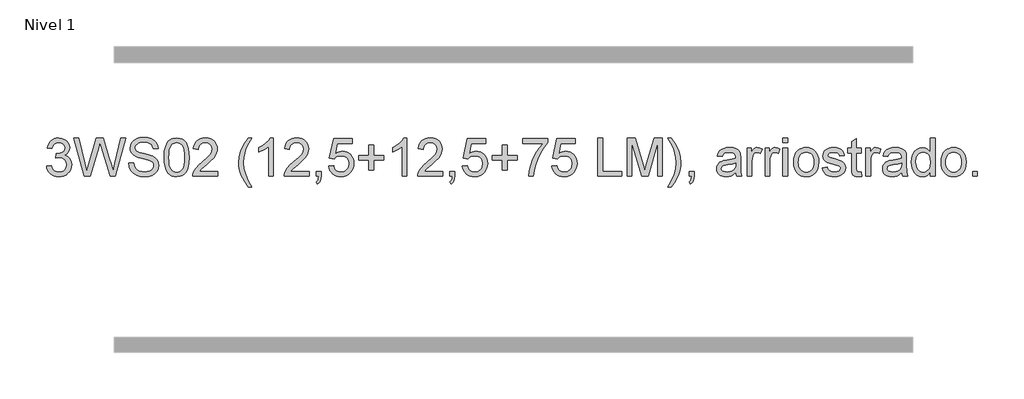
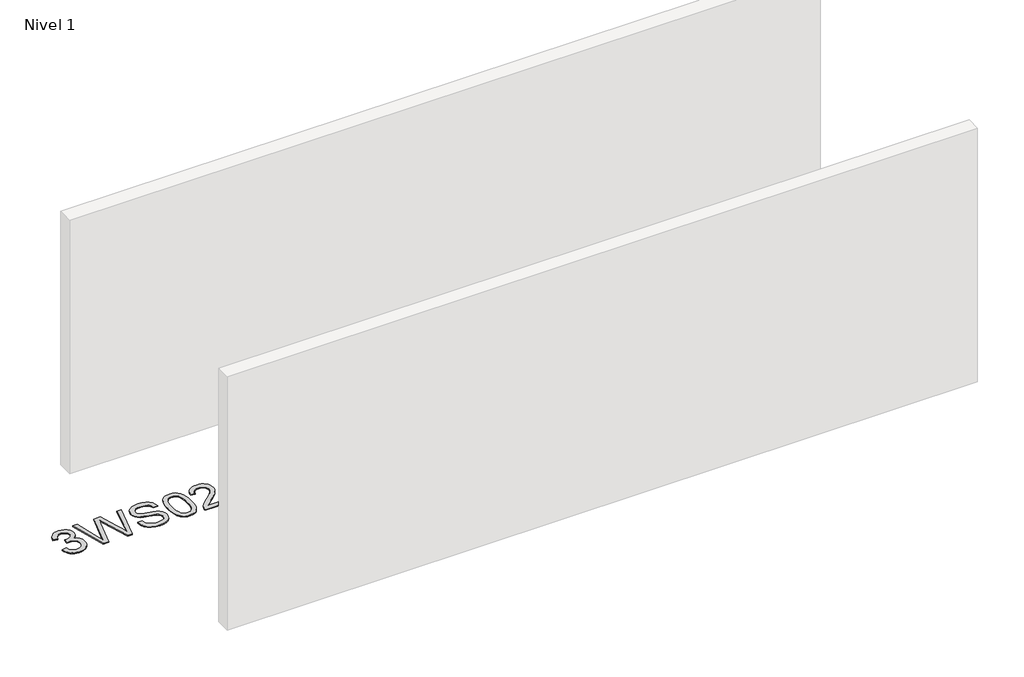
# One storey, part 9 of 13: 1 proxy.
"""IFC4 building model written with IfcOpenShell, lengths in millimetres."""

from ifc_helpers import new_model, si_unit, origin, origin_with_axes, place, context, project, spatial, polyline, outline, extrude, element, save

model = new_model("IFC4")

# Units and contexts
model_context = context("Model", 3, world=origin())
ifc_project = project(units=[si_unit("LENGTHUNIT", "METRE", prefix="MILLI")], contexts=[model_context])

# Site, building, storey
site = spatial("IfcSite", under=ifc_project)
building = spatial("IfcBuilding", under=site)
storey = spatial("IfcBuildingStorey", under=building, Name="Nivel 1", Elevation=0.0)

# Proxy
placement = place(None, origin())
element("IfcBuildingElementProxy", 1, Name="Texto de modelo 1", ObjectType="Texto de modelo 1", at=placement, inside=storey, context=model_context, shape_type="SweptSolid", body=[
    extrude(outline(polyline([(-14190.3594166, -4818.8446235), (-14140.1312615, -4812.5661041), (-14128.8863352, -4844.1303793), (-14112.4174845, -4865.4430095), (-14089.9153692, -4877.5831154), (-14060.5706487, -4881.6298173), (-14026.1368939, -4876.0625364), (-14011.8630725, -4869.1034354), (-13999.5512884, -4859.3606939), (-13982.5551402, -4834.4428201), (-13976.8897575, -4804.2274455), (-13982.5060893, -4775.5449126), (-13999.3550847, -4752.2825078), (-14024.8615697, -4736.8682522), (-14056.4503703, -4731.730167), (-14091.66894, -4737.2238715), (-14086.0771337, -4686.9957164), (-14078.0327807, -4687.5843276), (-14047.9400335, -4683.979084), (-14021.0355969, -4673.1633534), (-14009.9623489, -4664.9841103), (-14002.052886, -4654.8673555), (-13997.3072082, -4642.8130888), (-13995.7253157, -4628.8213102), (-14000.3115779, -4607.1285352), (-14014.0703645, -4589.5315131), (-14035.0641637, -4577.8696539), (-14061.3554636, -4573.9823675), (-14087.6958145, -4577.9064421), (-14109.2291739, -4589.6786659), (-14124.9499978, -4609.299039), (-14133.8527421, -4636.7675613), (-14184.0808972, -4630.4890419), (-14178.1273402, -4606.5092672), (-14169.292041, -4585.3867093), (-14157.5749994, -4567.1213683), (-14142.9762156, -4551.713244), (-14125.955542, -4539.4811677), (-14106.972831, -4530.7439703), (-14086.0280827, -4525.5016519), (-14063.1212972, -4523.7542124), (-14031.5447593, -4527.2000404), (-14002.5433953, -4537.5375245), (-13978.0915054, -4553.8469596), (-13960.1633895, -4575.2086408), (-13949.1637178, -4599.8199463), (-13945.4971606, -4625.8782543), (-13948.9797768, -4650.1584659), (-13959.4276255, -4672.1823347), (-13976.6935538, -4690.9443165), (-14000.6304089, -4705.4388671), (-13969.1887611, -4718.1430586), (-13945.8895681, -4739.77452), (-13931.4685938, -4769.1560286), (-13926.6616024, -4805.1103623), (-13929.0650981, -4830.5923218), (-13936.2755852, -4854.0631931), (-13948.2930638, -4875.5229762), (-13965.1175337, -4894.971671), (-13985.6146922, -4911.1094278), (-14008.6502364, -4922.636397), (-14034.2241665, -4929.5525785), (-14062.3364823, -4931.8579724), (-14087.7448654, -4929.8898037), (-14110.8969056, -4923.9852977), (-14131.7926029, -4914.1444543), (-14150.4319574, -4900.3672736), (-14166.0608108, -4883.4630959), (-14177.9250051, -4864.2412617), (-14186.0245404, -4842.7017708), (-14190.3594166, -4818.8446235)])), origin_with_axes(), (0.0, 0.0, 1.0), 10.0),
    extrude(outline(polyline([(-13791.9677413, -4925.579453), (-13901.5475249, -4523.7542124), (-13849.74974, -4523.7542124), (-13786.1797312, -4787.844434), (-13766.5593581, -4869.3670841), (-13745.5655589, -4797.2622131), (-13665.9068443, -4523.7542124), (-13591.2513247, -4523.7542124), (-13533.3712241, -4722.0180823), (-13508.5759777, -4795.5944814), (-13490.3045052, -4869.3670841), (-13471.2727433, -4790.1988788), (-13407.1141234, -4523.7542124), (-13355.3163385, -4523.7542124), (-13464.994224, -4925.579453), (-13518.6559443, -4925.579453), (-13614.9919761, -4615.5775584), (-13628.4319317, -4572.3146358), (-13643.5396189, -4624.4067263), (-13731.3407885, -4925.579453), (-13791.9677413, -4925.579453)])), origin_with_axes(), (0.0, 0.0, 1.0), 10.0),
    extrude(outline(polyline([(-13323.9237415, -4787.4520265), (-13273.6955865, -4787.4520265), (-13267.9321019, -4815.325219), (-13257.5087787, -4837.7292325), (-13241.2483945, -4855.5101956), (-13217.9737269, -4869.5142369), (-13189.524186, -4878.6009222), (-13157.7391816, -4881.6298173), (-13129.7556245, -4879.3366862), (-13105.2546836, -4872.4572929), (-13085.4013186, -4861.5679858), (-13071.3604891, -4847.2451135), (-13063.0095678, -4830.8007883), (-13060.2259274, -4813.5471227), (-13062.310592, -4796.7349155), (-13068.564586, -4782.2035767), (-13081.2687775, -4769.8059535), (-13102.7040351, -4759.394893), (-13175.8389757, -4740.2159784), (-13223.8475761, -4727.5240495), (-13254.5657227, -4715.4452573), (-13279.5694357, -4698.547211), (-13297.2890851, -4678.0684466), (-13307.8472983, -4654.4504225), (-13311.3667028, -4628.1345972), (-13307.0134325, -4598.7163003), (-13293.9536217, -4571.2845662), (-13272.5306268, -4548.0344241), (-13243.0878045, -4531.1609032), (-13207.7466075, -4520.8969956), (-13168.6284886, -4517.475693), (-13126.2484828, -4521.0564111), (-13089.1659777, -4531.7985654), (-13058.7053485, -4549.4814266), (-13036.1909704, -4573.8842656), (-13021.9416744, -4603.4865035), (-13016.2762917, -4636.7675613), (-13066.5044468, -4636.7675613), (-13075.7260221, -4606.7974414), (-13084.0892061, -4594.9393785), (-13094.9539877, -4585.1659801), (-13124.997684, -4572.0693811), (-13166.6664513, -4567.7038481), (-13209.3162373, -4572.0203302), (-13225.6195411, -4577.4159328), (-13238.5751187, -4584.9697764), (-13255.4976904, -4604.0260637), (-13261.1385477, -4626.6630692), (-13257.1408967, -4645.9646112), (-13245.1479436, -4661.4892314), (-13216.7965045, -4675.3706453), (-13163.1347842, -4689.5463649), (-13107.7562812, -4703.0108459), (-13074.2544941, -4714.7585443), (-13045.6210122, -4732.9809658), (-13025.6450198, -4755.4708184), (-13013.9095842, -4781.9828475), (-13009.9977723, -4812.2717985), (-13014.4981954, -4843.2351997), (-13027.9994646, -4872.359191), (-13049.949757, -4897.4242176), (-13079.7972495, -4916.2107248), (-13115.6902695, -4927.9461605), (-13155.7771443, -4931.8579724), (-13204.9874925, -4927.6395922), (-13245.4913002, -4914.9844515), (-13277.7545511, -4893.8434995), (-13302.2432293, -4864.1676853), (-13317.9640532, -4828.0171479), (-13323.9237415, -4787.4520265)])), origin_with_axes(), (0.0, 0.0, 1.0), 10.0),
    extrude(outline(polyline([(-12953.4910979, -4727.9041943), (-12949.8000152, -4663.5861588), (-12938.7267671, -4612.2911459), (-12920.3817183, -4573.2343407), (-12908.5236553, -4558.0009605), (-12894.8752333, -4545.6309284), (-12879.390467, -4536.0598651), (-12862.0233711, -4529.2233914), (-12821.6421908, -4523.7542124), (-12790.6910523, -4526.991574), (-12762.9772753, -4536.7036586), (-12739.8007096, -4552.5103217), (-12722.4612049, -4574.0314184), (-12709.3646059, -4601.0830078), (-12698.9167572, -4633.4811488), (-12692.0741521, -4674.6226186), (-12689.7932837, -4727.9041943), (-12693.4475782, -4791.8543477), (-12704.4104617, -4843.0267333), (-12722.6451459, -4882.1203266), (-12734.4756177, -4897.3996922), (-12748.1148427, -4909.8341036), (-12763.6180031, -4919.4695462), (-12781.0402813, -4926.3520052), (-12821.6421908, -4931.8579724), (-12849.3069168, -4929.4667394), (-12873.8323832, -4922.2930405), (-12895.2185898, -4910.3368757), (-12913.4655368, -4893.5982449), (-12930.9767198, -4863.3399508), (-12943.4847076, -4825.6381776), (-12950.9895003, -4780.4929255), (-12953.4910979, -4727.9041943)]), holes=[polyline([(-12903.2629428, -4727.8060924), (-12901.7914148, -4771.4706195), (-12897.3768309, -4806.8148822), (-12890.019191, -4833.8388804), (-12879.7184951, -4852.5426142), (-12867.2595582, -4865.2682656), (-12853.4271952, -4874.3580165), (-12838.221406, -4879.8118671), (-12821.6421908, -4881.6298173), (-12805.0629755, -4879.8057357), (-12789.8571864, -4874.3334911), (-12776.0248234, -4865.2130833), (-12763.5658865, -4852.4445124), (-12753.2651906, -4833.7101217), (-12745.9075507, -4806.6922549), (-12741.4929668, -4771.3909118), (-12740.0214388, -4727.8060924), (-12741.4439158, -4685.2973278), (-12745.711347, -4650.5753989), (-12752.8237322, -4623.6403055), (-12762.7810716, -4604.4920476), (-12775.031542, -4591.1440625), (-12789.0233206, -4581.6097875), (-12804.7564072, -4575.8892225), (-12822.230802, -4573.9823675), (-12838.7241781, -4575.6623619), (-12853.6724498, -4580.7023452), (-12867.0756172, -4589.1023175), (-12878.9336802, -4600.8622786), (-12889.5777326, -4621.708925), (-12897.1806271, -4649.8151094), (-12901.7423639, -4685.1808319), (-12903.2629428, -4727.8060924)])]), origin_with_axes(), (0.0, 0.0, 1.0), 10.0),
    extrude(outline(polyline([(-12388.4243533, -4875.3512979), (-12388.4243533, -4925.579453), (-12652.1221674, -4925.579453), (-12651.0185214, -4907.8965918), (-12646.7265648, -4890.9494945), (-12634.3412043, -4863.8856424), (-12616.2168847, -4837.6311307), (-12589.9991612, -4810.1503456), (-12553.333589, -4779.4076736), (-12499.1323084, -4731.2641831), (-12466.61154, -4695.7267824), (-12450.3511558, -4666.884834), (-12444.9310277, -4638.8277005), (-12450.0445875, -4613.6768347), (-12465.3852667, -4592.7688747), (-12488.9665026, -4578.6789943), (-12518.8017324, -4573.9823675), (-12550.1330156, -4578.5686297), (-12574.474541, -4592.3274163), (-12590.1831022, -4614.1796068), (-12595.615493, -4643.0460807), (-12645.843648, -4636.7675613), (-12641.5241003, -4610.838012), (-12633.666754, -4588.1826125), (-12622.2716092, -4568.8013627), (-12607.3386659, -4552.6942627), (-12589.2112806, -4540.0329907), (-12568.2328098, -4530.989225), (-12544.4032535, -4525.5629655), (-12517.7226118, -4523.7542124), (-12490.8028468, -4525.7653006), (-12466.8445319, -4531.7985654), (-12445.847667, -4541.8540066), (-12427.8122522, -4555.9316242), (-12413.3268987, -4572.9890861), (-12402.9802175, -4591.9840598), (-12396.7722089, -4612.9165453), (-12394.7028727, -4635.7865427), (-12396.9346901, -4659.8092369), (-12403.6301424, -4683.4149983), (-12415.5127308, -4707.4254299), (-12433.3059567, -4732.6621347), (-12461.6696585, -4762.7916701), (-12505.2636749, -4801.4805933), (-12563.0456736, -4849.795762), (-12585.7072046, -4875.3512979), (-12388.4243533, -4875.3512979)])), origin_with_axes(), (0.0, 0.0, 1.0), 10.0),
    extrude(outline(polyline([(-12068.2198647, -5038.5928019), (-12107.1417798, -4983.9745884), (-12139.5399208, -4920.7724616), (-12152.2870319, -4886.7188516), (-12161.3921113, -4852.0521049), (-12166.8551589, -4816.7722216), (-12168.6761748, -4780.8792016), (-12163.2315213, -4718.4618897), (-12146.8975607, -4658.7423792), (-12114.4748942, -4591.101143), (-12068.2198647, -4523.7542124), (-12030.5487484, -4523.7542124), (-12077.5395419, -4603.3148252), (-12093.5791969, -4641.0840434), (-12105.7928791, -4680.4228914), (-12115.2842346, -4730.6755719), (-12118.4480197, -4781.1735072), (-12112.9543153, -4845.565119), (-12096.4732019, -4909.9322055), (-12069.0046796, -4974.2747664), (-12030.5487484, -5038.5928019), (-12068.2198647, -5038.5928019)])), origin_with_axes(), (0.0, 0.0, 1.0), 10.0),
    extrude(outline(polyline([(-11804.5220505, -4925.579453), (-11854.7502056, -4925.579453), (-11854.7502056, -4612.4382987), (-11875.7194793, -4629.3976587), (-11902.3296103, -4646.3324932), (-11955.2065158, -4671.6918254), (-11955.2065158, -4624.2105225), (-11915.7573031, -4602.7507395), (-11881.5810658, -4577.219729), (-11854.639841, -4550.0700378), (-11836.8956661, -4523.7542124), (-11804.5220505, -4523.7542124), (-11804.5220505, -4925.579453)])), origin_with_axes(), (0.0, 0.0, 1.0), 10.0),
    extrude(outline(polyline([(-11427.8108875, -4875.3512979), (-11427.8108875, -4925.579453), (-11691.5087016, -4925.579453), (-11690.4050556, -4907.8965918), (-11686.113099, -4890.9494945), (-11673.7277385, -4863.8856424), (-11655.6034189, -4837.6311307), (-11629.3856954, -4810.1503456), (-11592.7201232, -4779.4076736), (-11538.5188425, -4731.2641831), (-11505.9980742, -4695.7267824), (-11489.73769, -4666.884834), (-11484.3175619, -4638.8277005), (-11489.4311217, -4613.6768347), (-11504.7718009, -4592.7688747), (-11528.3530367, -4578.6789943), (-11558.1882666, -4573.9823675), (-11589.5195498, -4578.5686297), (-11613.8610752, -4592.3274163), (-11629.5696364, -4614.1796068), (-11635.0020271, -4643.0460807), (-11685.2301822, -4636.7675613), (-11680.9106345, -4610.838012), (-11673.0532882, -4588.1826125), (-11661.6581434, -4568.8013627), (-11646.7252001, -4552.6942627), (-11628.5978147, -4540.0329907), (-11607.619344, -4530.989225), (-11583.7897877, -4525.5629655), (-11557.109146, -4523.7542124), (-11530.189381, -4525.7653006), (-11506.2310661, -4531.7985654), (-11485.2342012, -4541.8540066), (-11467.1987864, -4555.9316242), (-11452.7134329, -4572.9890861), (-11442.3667517, -4591.9840598), (-11436.1587431, -4612.9165453), (-11434.0894068, -4635.7865427), (-11436.3212243, -4659.8092369), (-11443.0166766, -4683.4149983), (-11454.899265, -4707.4254299), (-11472.6924909, -4732.6621347), (-11501.0561927, -4762.7916701), (-11544.6502091, -4801.4805933), (-11602.4322078, -4849.795762), (-11625.0937387, -4875.3512979), (-11427.8108875, -4875.3512979)])), origin_with_axes(), (0.0, 0.0, 1.0), 10.0),
    extrude(outline(polyline([(-11352.4686549, -4925.579453), (-11352.4686549, -4875.3512979), (-11302.2404998, -4875.3512979), (-11302.2404998, -4925.579453), (-11304.4968427, -4954.3110368), (-11311.2658714, -4976.9357795), (-11322.9399934, -4994.287547), (-11339.9116161, -5007.200205), (-11352.4686549, -4988.3646468), (-11341.5793478, -4979.2656988), (-11334.0255042, -4966.6841346), (-11329.439242, -4949.246528), (-11327.4526792, -4925.579453), (-11352.4686549, -4925.579453)])), origin_with_axes(), (0.0, 0.0, 1.0), 10.0),
    extrude(outline(polyline([(-11220.6197478, -4818.8446235), (-11170.3915927, -4812.5661041), (-11161.1700174, -4842.7201649), (-11145.0813114, -4864.3148381), (-11122.1990513, -4877.3010725), (-11092.5968135, -4881.6298173), (-11073.4669497, -4880.1245668), (-11056.5934289, -4875.6088153), (-11041.9762509, -4868.0825628), (-11029.6154159, -4857.5458094), (-11019.7868352, -4844.519721), (-11012.7664205, -4829.5254641), (-11007.1500887, -4793.6324441), (-11012.4108012, -4759.8363514), (-11018.9866919, -4745.9181493), (-11028.1929388, -4733.9865099), (-11040.0601989, -4724.4154467), (-11054.6191288, -4717.5789729), (-11091.8119985, -4712.1097939), (-11116.1780494, -4714.2925604), (-11135.908787, -4720.8408599), (-11151.6663992, -4730.8717757), (-11164.1130733, -4743.5023908), (-11214.3412284, -4737.2238715), (-11170.3915927, -4530.0327318), (-10975.7574918, -4530.0327318), (-10975.7574918, -4580.2608869), (-11129.7774204, -4580.2608869), (-11151.261729, -4690.919791), (-11133.5359482, -4678.2155994), (-11115.3809717, -4669.1411769), (-11096.7967996, -4663.6965234), (-11077.7834318, -4661.8816388), (-11053.3223448, -4664.1318504), (-11030.8539519, -4670.882485), (-11010.3782532, -4682.1335427), (-10991.8952486, -4697.8850234), (-10976.5944233, -4717.1743027), (-10965.6652624, -4739.038756), (-10959.1077658, -4763.4783832), (-10956.9219336, -4790.4931844), (-10958.8901023, -4816.5147042), (-10964.7946083, -4840.7213394), (-10974.6354517, -4863.1130902), (-10988.4126324, -4883.6899565), (-11009.2838043, -4904.7634634), (-11033.6375924, -4919.8159684), (-11061.4739967, -4928.8474714), (-11092.7930172, -4931.8579724), (-11118.7133694, -4929.9235262), (-11142.1259927, -4924.1201877), (-11163.0308871, -4914.447957), (-11181.4280526, -4900.9068338), (-11196.7350092, -4884.1712688), (-11208.3692773, -4864.915712), (-11216.3308569, -4843.1401636), (-11220.6197478, -4818.8446235)])), origin_with_axes(), (0.0, 0.0, 1.0), 10.0),
    extrude(outline(polyline([(-10799.958949, -4862.7942591), (-10799.958949, -4756.0594296), (-10906.6937786, -4756.0594296), (-10906.6937786, -4705.8312745), (-10799.958949, -4705.8312745), (-10799.958949, -4599.096445), (-10749.730794, -4599.096445), (-10749.730794, -4705.8312745), (-10642.9959644, -4705.8312745), (-10642.9959644, -4756.0594296), (-10749.730794, -4756.0594296), (-10749.730794, -4862.7942591), (-10799.958949, -4862.7942591)])), origin_with_axes(), (0.0, 0.0, 1.0), 10.0),
    extrude(outline(polyline([(-10398.1337084, -4925.579453), (-10448.3618635, -4925.579453), (-10448.3618635, -4612.4382987), (-10469.3311372, -4629.3976587), (-10495.9412682, -4646.3324932), (-10548.8181737, -4671.6918254), (-10548.8181737, -4624.2105225), (-10509.368961, -4602.7507395), (-10475.1927237, -4577.219729), (-10448.2514989, -4550.0700378), (-10430.507324, -4523.7542124), (-10398.1337084, -4523.7542124), (-10398.1337084, -4925.579453)])), origin_with_axes(), (0.0, 0.0, 1.0), 10.0),
    extrude(outline(polyline([(-10021.4225454, -4875.3512979), (-10021.4225454, -4925.579453), (-10285.1203595, -4925.579453), (-10284.0167135, -4907.8965918), (-10279.7247569, -4890.9494945), (-10267.3393964, -4863.8856424), (-10249.2150768, -4837.6311307), (-10222.9973533, -4810.1503456), (-10186.3317811, -4779.4076736), (-10132.1305005, -4731.2641831), (-10099.6097321, -4695.7267824), (-10083.3493479, -4666.884834), (-10077.9292198, -4638.8277005), (-10083.0427796, -4613.6768347), (-10098.3834588, -4592.7688747), (-10121.9646947, -4578.6789943), (-10151.7999245, -4573.9823675), (-10183.1312077, -4578.5686297), (-10207.4727331, -4592.3274163), (-10223.1812943, -4614.1796068), (-10228.6136851, -4643.0460807), (-10278.8418401, -4636.7675613), (-10274.5222924, -4610.838012), (-10266.6649461, -4588.1826125), (-10255.2698013, -4568.8013627), (-10240.336858, -4552.6942627), (-10222.2094727, -4540.0329907), (-10201.2310019, -4530.989225), (-10177.4014456, -4525.5629655), (-10150.7208039, -4523.7542124), (-10123.8010389, -4525.7653006), (-10099.842724, -4531.7985654), (-10078.8458591, -4541.8540066), (-10060.8104443, -4555.9316242), (-10046.3250908, -4572.9890861), (-10035.9784096, -4591.9840598), (-10029.770401, -4612.9165453), (-10027.7010648, -4635.7865427), (-10029.9328822, -4659.8092369), (-10036.6283345, -4683.4149983), (-10048.5109229, -4707.4254299), (-10066.3041488, -4732.6621347), (-10094.6678506, -4762.7916701), (-10138.261867, -4801.4805933), (-10196.0438657, -4849.795762), (-10218.7053967, -4875.3512979), (-10021.4225454, -4875.3512979)])), origin_with_axes(), (0.0, 0.0, 1.0), 10.0),
    extrude(outline(polyline([(-9946.0803128, -4925.579453), (-9946.0803128, -4875.3512979), (-9895.8521577, -4875.3512979), (-9895.8521577, -4925.579453), (-9898.1085006, -4954.3110368), (-9904.8775293, -4976.9357795), (-9916.5516513, -4994.287547), (-9933.523274, -5007.200205), (-9946.0803128, -4988.3646468), (-9935.1910057, -4979.2656988), (-9927.6371621, -4966.6841346), (-9923.0508999, -4949.246528), (-9921.0643371, -4925.579453), (-9946.0803128, -4925.579453)])), origin_with_axes(), (0.0, 0.0, 1.0), 10.0),
    extrude(outline(polyline([(-9814.2314057, -4818.8446235), (-9764.0032506, -4812.5661041), (-9754.7816753, -4842.7201649), (-9738.6929693, -4864.3148381), (-9715.8107092, -4877.3010725), (-9686.2084714, -4881.6298173), (-9667.0786076, -4880.1245668), (-9650.2050868, -4875.6088153), (-9635.5879088, -4868.0825628), (-9623.2270738, -4857.5458094), (-9613.3984932, -4844.519721), (-9606.3780784, -4829.5254641), (-9600.7617466, -4793.6324441), (-9606.0224591, -4759.8363514), (-9612.5983498, -4745.9181493), (-9621.8045967, -4733.9865099), (-9633.6718568, -4724.4154467), (-9648.2307867, -4717.5789729), (-9685.4236564, -4712.1097939), (-9709.7897073, -4714.2925604), (-9729.5204449, -4720.8408599), (-9745.2780571, -4730.8717757), (-9757.7247312, -4743.5023908), (-9807.9528863, -4737.2238715), (-9764.0032506, -4530.0327318), (-9569.3691497, -4530.0327318), (-9569.3691497, -4580.2608869), (-9723.3890783, -4580.2608869), (-9744.8733869, -4690.919791), (-9727.1476061, -4678.2155994), (-9708.9926296, -4669.1411769), (-9690.4084575, -4663.6965234), (-9671.3950897, -4661.8816388), (-9646.9340027, -4664.1318504), (-9624.4656098, -4670.882485), (-9603.9899111, -4682.1335427), (-9585.5069066, -4697.8850234), (-9570.2060812, -4717.1743027), (-9559.2769203, -4739.038756), (-9552.7194237, -4763.4783832), (-9550.5335915, -4790.4931844), (-9552.5017602, -4816.5147042), (-9558.4062662, -4840.7213394), (-9568.2471096, -4863.1130902), (-9582.0242903, -4883.6899565), (-9602.8954622, -4904.7634634), (-9627.2492503, -4919.8159684), (-9655.0856546, -4928.8474714), (-9686.4046751, -4931.8579724), (-9712.3250273, -4929.9235262), (-9735.7376506, -4924.1201877), (-9756.642545, -4914.447957), (-9775.0397105, -4900.9068338), (-9790.3466671, -4884.1712688), (-9801.9809352, -4864.915712), (-9809.9425148, -4843.1401636), (-9814.2314057, -4818.8446235)])), origin_with_axes(), (0.0, 0.0, 1.0), 10.0),
    extrude(outline(polyline([(-9393.5706069, -4862.7942591), (-9393.5706069, -4756.0594296), (-9500.3054365, -4756.0594296), (-9500.3054365, -4705.8312745), (-9393.5706069, -4705.8312745), (-9393.5706069, -4599.096445), (-9343.3424519, -4599.096445), (-9343.3424519, -4705.8312745), (-9236.6076223, -4705.8312745), (-9236.6076223, -4756.0594296), (-9343.3424519, -4756.0594296), (-9343.3424519, -4862.7942591), (-9393.5706069, -4862.7942591)])), origin_with_axes(), (0.0, 0.0, 1.0), 10.0),
    extrude(outline(polyline([(-9180.1009479, -4580.2608869), (-9180.1009479, -4530.0327318), (-8916.4031337, -4530.0327318), (-8916.4031337, -4570.646904), (-8953.9884109, -4618.214046), (-8991.2058061, -4678.7061088), (-9024.0331428, -4746.6048623), (-9048.4482445, -4816.3920768), (-9060.4166721, -4868.6067947), (-9067.0875989, -4925.579453), (-9117.315754, -4925.579453), (-9111.8833632, -4873.8061935), (-9097.3520244, -4812.2717985), (-9074.1141451, -4747.0463207), (-9042.5621326, -4684.1998132), (-9005.7248822, -4627.3865704), (-8966.6312888, -4580.2608869), (-9180.1009479, -4580.2608869)])), origin_with_axes(), (0.0, 0.0, 1.0), 10.0),
    extrude(outline(polyline([(-8872.453498, -4818.8446235), (-8822.225343, -4812.5661041), (-8813.0037676, -4842.7201649), (-8796.9150617, -4864.3148381), (-8774.0328016, -4877.3010725), (-8744.4305637, -4881.6298173), (-8725.3007, -4880.1245668), (-8708.4271791, -4875.6088153), (-8693.8100012, -4868.0825628), (-8681.4491661, -4857.5458094), (-8671.6205855, -4844.519721), (-8664.6001708, -4829.5254641), (-8658.983839, -4793.6324441), (-8664.2445515, -4759.8363514), (-8670.8204422, -4745.9181493), (-8680.0266891, -4733.9865099), (-8691.8939491, -4724.4154467), (-8706.4528791, -4717.5789729), (-8743.6457488, -4712.1097939), (-8768.0117996, -4714.2925604), (-8787.7425373, -4720.8408599), (-8803.5001494, -4730.8717757), (-8815.9468236, -4743.5023908), (-8866.1749786, -4737.2238715), (-8822.225343, -4530.0327318), (-8627.591242, -4530.0327318), (-8627.591242, -4580.2608869), (-8781.6111707, -4580.2608869), (-8803.0954792, -4690.919791), (-8785.3696984, -4678.2155994), (-8767.2147219, -4669.1411769), (-8748.6305498, -4663.6965234), (-8729.617182, -4661.8816388), (-8705.156095, -4664.1318504), (-8682.6877022, -4670.882485), (-8662.2120035, -4682.1335427), (-8643.7289989, -4697.8850234), (-8628.4281736, -4717.1743027), (-8617.4990126, -4739.038756), (-8610.9415161, -4763.4783832), (-8608.7556839, -4790.4931844), (-8610.7238526, -4816.5147042), (-8616.6283586, -4840.7213394), (-8626.469202, -4863.1130902), (-8640.2463827, -4883.6899565), (-8661.1175545, -4904.7634634), (-8685.4713426, -4919.8159684), (-8713.3077469, -4928.8474714), (-8744.6267674, -4931.8579724), (-8770.5471197, -4929.9235262), (-8793.959743, -4924.1201877), (-8814.8646374, -4914.447957), (-8833.2618028, -4900.9068338), (-8848.5687595, -4884.1712688), (-8860.2030276, -4864.915712), (-8868.1646071, -4843.1401636), (-8872.453498, -4818.8446235)])), origin_with_axes(), (0.0, 0.0, 1.0), 10.0),
    extrude(outline(polyline([(-8389.0075054, -4925.579453), (-8389.0075054, -4523.7542124), (-8338.7793504, -4523.7542124), (-8338.7793504, -4875.3512979), (-8137.8667301, -4875.3512979), (-8137.8667301, -4925.579453), (-8389.0075054, -4925.579453)])), origin_with_axes(), (0.0, 0.0, 1.0), 10.0),
    extrude(outline(polyline([(-8081.3600556, -4925.579453), (-8081.3600556, -4523.7542124), (-7994.9323122, -4523.7542124), (-7912.722949, -4806.9742977), (-7896.1437338, -4866.1297226), (-7878.1910924, -4802.0692045), (-7797.3551553, -4523.7542124), (-7710.9274119, -4523.7542124), (-7710.9274119, -4925.579453), (-7761.155567, -4925.579453), (-7761.155567, -4573.9823675), (-7862.1023865, -4925.579453), (-7930.1850811, -4925.579453), (-8031.1319005, -4573.9823675), (-8031.1319005, -4925.579453), (-8081.3600556, -4925.579453)])), origin_with_axes(), (0.0, 0.0, 1.0), 10.0),
    extrude(outline(polyline([(-7616.7496212, -5038.5928019), (-7654.4207375, -5038.5928019), (-7615.9648062, -4974.2747664), (-7588.4962839, -4909.9322055), (-7572.0151706, -4845.565119), (-7566.5214661, -4781.1735072), (-7569.6852512, -4731.0434539), (-7579.1766067, -4681.3058082), (-7591.1695598, -4641.8933838), (-7607.1356384, -4604.0996401), (-7654.4207375, -4523.7542124), (-7616.7496212, -4523.7542124), (-7570.4945916, -4591.101143), (-7538.0719251, -4658.7423792), (-7521.7379645, -4718.4618897), (-7516.293311, -4780.8792016), (-7518.1235239, -4816.7722216), (-7523.6141627, -4852.0521049), (-7532.7652273, -4886.7188516), (-7545.5767178, -4920.7724616), (-7578.0116471, -4983.9745884), (-7616.7496212, -5038.5928019)])), origin_with_axes(), (0.0, 0.0, 1.0), 10.0),
    extrude(outline(polyline([(-7428.3940396, -4925.579453), (-7428.3940396, -4875.3512979), (-7378.1658846, -4875.3512979), (-7378.1658846, -4925.579453), (-7380.4222275, -4954.3110368), (-7387.1912562, -4976.9357795), (-7398.8653782, -4994.287547), (-7415.8370009, -5007.200205), (-7428.3940396, -4988.3646468), (-7417.5047326, -4979.2656988), (-7409.9508889, -4966.6841346), (-7405.3646267, -4949.246528), (-7403.378064, -4925.579453), (-7428.3940396, -4925.579453)])), origin_with_axes(), (0.0, 0.0, 1.0), 10.0),
    extrude(outline(polyline([(-6938.6695277, -4887.9083367), (-6962.6676965, -4908.4852029), (-6987.3771038, -4921.949684), (-7013.3618354, -4929.3809003), (-7041.185977, -4931.8579724), (-7063.5501366, -4930.3680503), (-7083.1613126, -4925.8982841), (-7100.0195051, -4918.4486737), (-7114.1247139, -4908.0192191), (-7125.2623413, -4895.272108), (-7133.2177894, -4880.8695278), (-7137.9910583, -4864.8114788), (-7139.582148, -4847.0979607), (-7137.1786523, -4826.2758398), (-7129.9681651, -4807.3667052), (-7118.8458662, -4791.1798974), (-7104.7069348, -4778.5247568), (-7088.0909314, -4768.9598249), (-7069.5374161, -4762.0436434), (-7026.0782897, -4754.4897998), (-6974.7219632, -4746.5435487), (-6938.9638333, -4737.2238715), (-6938.6695277, -4726.0402588), (-6942.1276184, -4703.6239826), (-6952.5018907, -4688.9577537), (-6975.7029818, -4678.0684466), (-7008.0275465, -4674.4386776), (-7037.9486154, -4676.8544361), (-7058.8443127, -4684.1017114), (-7073.0936087, -4697.5048787), (-7083.0754735, -4718.3883133), (-7133.3036286, -4712.1097939), (-7124.5848253, -4684.6412716), (-7111.5740654, -4663.0588612), (-7093.0573383, -4646.5532224), (-7067.8206334, -4634.3150147), (-7036.955334, -4626.7366456), (-7001.5528234, -4624.2105225), (-6967.5973152, -4626.44234), (-6940.6806159, -4633.1377923), (-6920.3857925, -4643.2054962), (-6906.2959121, -4655.5540685), (-6896.9517094, -4670.8211713), (-6890.8939192, -4689.6444668), (-6888.4413726, -4733.5941024), (-6888.4413726, -4796.0849907), (-6885.8907241, -4883.3465999), (-6875.8843338, -4925.579453), (-6926.1124889, -4925.579453), (-6934.1568418, -4908.117321), (-6938.6695277, -4887.9083367)]), holes=[polyline([(-6938.6695277, -4787.4520265), (-6972.4165693, -4795.8152106), (-7019.7016685, -4802.8540194), (-7062.9155402, -4810.9964742), (-7074.1604665, -4816.5637551), (-7082.4868623, -4824.2402261), (-7087.6372102, -4833.4372759), (-7089.3539929, -4843.5662935), (-7085.6138593, -4858.5023025), (-7074.3934584, -4870.7405102), (-7055.938045, -4878.9074905), (-7030.4928737, -4881.6298173), (-7003.5148607, -4878.6254477), (-6979.6761074, -4869.6123388), (-6960.3500399, -4856.3317988), (-6946.9100843, -4840.5251357), (-6940.950396, -4824.2402261), (-6938.9638333, -4801.676797), (-6938.6695277, -4787.4520265)])]), origin_with_axes(), (0.0, 0.0, 1.0), 10.0),
    extrude(outline(polyline([(-6819.3776594, -4925.579453), (-6819.3776594, -4630.4890419), (-6775.4280237, -4630.4890419), (-6775.4280237, -4674.144372), (-6759.1921649, -4648.8340908), (-6744.2316305, -4633.9226072), (-6729.2220451, -4626.6385437), (-6712.8390335, -4624.2105225), (-6687.8230579, -4628.0855462), (-6662.4146747, -4639.7106173), (-6679.1900937, -4684.7393735), (-6696.8484295, -4677.0138516), (-6714.5067653, -4674.4386776), (-6729.5040879, -4676.9157497), (-6742.9072553, -4684.346966), (-6753.7352487, -4696.1682408), (-6761.0070495, -4711.8154883), (-6767.1138906, -4739.8726218), (-6769.1495043, -4770.4804038), (-6769.1495043, -4925.579453), (-6819.3776594, -4925.579453)])), origin_with_axes(), (0.0, 0.0, 1.0), 10.0),
    extrude(outline(polyline([(-6631.0220778, -4925.579453), (-6631.0220778, -4630.4890419), (-6587.0724421, -4630.4890419), (-6587.0724421, -4674.144372), (-6570.8365834, -4648.8340908), (-6555.8760489, -4633.9226072), (-6540.8664635, -4626.6385437), (-6524.483452, -4624.2105225), (-6499.4674763, -4628.0855462), (-6474.0590932, -4639.7106173), (-6490.8345122, -4684.7393735), (-6508.492848, -4677.0138516), (-6526.1511837, -4674.4386776), (-6541.1485064, -4676.9157497), (-6554.5516738, -4684.346966), (-6565.3796671, -4696.1682408), (-6572.6514679, -4711.8154883), (-6578.758309, -4739.8726218), (-6580.7939227, -4770.4804038), (-6580.7939227, -4925.579453), (-6631.0220778, -4925.579453)])), origin_with_axes(), (0.0, 0.0, 1.0), 10.0),
    extrude(outline(polyline([(-6442.6664963, -4573.9823675), (-6442.6664963, -4523.7542124), (-6392.4383412, -4523.7542124), (-6392.4383412, -4573.9823675), (-6442.6664963, -4573.9823675)])), origin_with_axes(), (0.0, 0.0, 1.0), 10.0),
    extrude(outline(polyline([(-6442.6664963, -4925.579453), (-6442.6664963, -4630.4890419), (-6392.4383412, -4630.4890419), (-6392.4383412, -4925.579453), (-6442.6664963, -4925.579453)])), origin_with_axes(), (0.0, 0.0, 1.0), 10.0),
    extrude(outline(polyline([(-6329.6531474, -4778.0342475), (-6326.936952, -4739.8174395), (-6318.7883658, -4706.8858696), (-6305.2073888, -4679.2395377), (-6286.194021, -4656.8784437), (-6267.0518945, -4642.5862282), (-6245.9232053, -4632.3775028), (-6222.8079532, -4626.2522676), (-6197.7061384, -4624.2105225), (-6169.9954271, -4626.6967917), (-6144.9395976, -4634.1555991), (-6122.5386498, -4646.5869449), (-6102.7925837, -4663.990829), (-6086.6762866, -4685.7786401), (-6075.1646458, -4711.3617672), (-6068.2576614, -4740.7402102), (-6065.9553332, -4773.9139691), (-6070.0265606, -4824.657159), (-6082.2402429, -4863.2847685), (-6102.2407607, -4892.212556), (-6129.6724948, -4913.8562801), (-6162.2545768, -4927.3575493), (-6197.7061384, -4931.8579724), (-6225.8215199, -4929.3809003), (-6251.1103414, -4921.949684), (-6273.5726029, -4909.5643235), (-6293.2083044, -4892.2248188), (-6309.1529232, -4870.2254755), (-6320.5419366, -4843.8605991), (-6327.3753447, -4813.1301898), (-6329.6531474, -4778.0342475)]), holes=[polyline([(-6279.4249923, -4777.9361456), (-6277.9718584, -4802.2991307), (-6273.6124568, -4823.3940975), (-6266.3467874, -4841.2210458), (-6256.1748502, -4855.7799758), (-6243.8017524, -4867.0892814), (-6229.9326012, -4875.1673569), (-6214.5673965, -4880.0142022), (-6197.7061384, -4881.6298173), (-6180.9307195, -4880.0050052), (-6165.6268285, -4875.1305687), (-6151.7944654, -4867.006508), (-6139.4336304, -4855.632823), (-6129.2616932, -4840.9298059), (-6121.9960238, -4822.817749), (-6117.6366222, -4801.2966523), (-6116.1834883, -4776.3665157), (-6117.6458192, -4752.7760828), (-6122.032812, -4732.2329391), (-6129.3444667, -4714.7370845), (-6139.5807832, -4700.2885191), (-6151.9876035, -4688.9792135), (-6165.8107695, -4680.901138), (-6181.0502811, -4676.0542927), (-6197.7061384, -4674.4386776), (-6214.5673965, -4676.0481613), (-6229.9326012, -4680.8766125), (-6243.8017524, -4688.9240312), (-6256.1748502, -4700.1904173), (-6266.3467874, -4714.7064277), (-6273.6124568, -4732.5027192), (-6277.9718584, -4753.5792918), (-6279.4249923, -4777.9361456)])]), origin_with_axes(), (0.0, 0.0, 1.0), 10.0),
    extrude(outline(polyline([(-6028.2842169, -4837.6801816), (-5978.0560618, -4831.4016622), (-5970.1343362, -4852.8859707), (-5954.8059198, -4868.6803711), (-5931.9727106, -4878.3924557), (-5901.5366069, -4881.6298173), (-5871.4683851, -4878.6622359), (-5850.3274331, -4869.7594916), (-5837.8194453, -4856.8590963), (-5833.650116, -4841.8985618), (-5837.8439708, -4829.0962684), (-5850.425535, -4819.3351328), (-5902.125218, -4805.0122604), (-5977.7617563, -4780.4377432), (-5996.9038827, -4768.0891709), (-6010.773034, -4751.7429475), (-6019.1975316, -4732.4414055), (-6022.0056975, -4711.2268771), (-6019.7493546, -4691.7659196), (-6012.9803259, -4673.8010155), (-6002.3117481, -4658.0434034), (-5988.3567577, -4645.2043217), (-5956.4246005, -4630.3418891), (-5935.5411659, -4625.7433642), (-5913.2107288, -4624.2105225), (-5880.5182822, -4626.6753319), (-5852.0932667, -4634.06976), (-5829.2355321, -4645.6703056), (-5813.244928, -4660.7534674), (-5802.6499265, -4680.4351541), (-5795.9789997, -4705.8312745), (-5846.2071548, -4712.1097939), (-5852.5469878, -4696.3031309), (-5865.0917639, -4684.396017), (-5883.9641102, -4676.9280125), (-5909.2866542, -4674.4386776), (-5938.1286026, -4676.8176479), (-5957.3565683, -4683.9545586), (-5968.1722989, -4694.2552544), (-5971.7775425, -4706.1255801), (-5965.7933287, -4720.7427581), (-5947.0558724, -4731.8282689), (-5903.7929498, -4742.5213722), (-5830.0693979, -4766.1639217), (-5810.5961776, -4777.4701617), (-5795.8318469, -4792.945731), (-5786.5244324, -4812.6396805), (-5783.4219609, -4836.6010611), (-5787.0639927, -4861.3717821), (-5797.9900879, -4884.6709751), (-5815.7833138, -4904.6714929), (-5840.0267373, -4919.5461883), (-5869.3101441, -4928.7800264), (-5902.2233199, -4931.8579724), (-5929.2565152, -4930.3741817), (-5952.8684079, -4925.9228095), (-5973.0589981, -4918.503856), (-5989.8282857, -4908.117321), (-6003.5257586, -4894.8122555), (-6014.5009048, -4878.6377104), (-6022.7537243, -4859.5936858), (-6028.2842169, -4837.6801816)])), origin_with_axes(), (0.0, 0.0, 1.0), 10.0),
    extrude(outline(polyline([(-5620.1804569, -4883.6899565), (-5613.9019376, -4927.050981), (-5651.474952, -4931.8579724), (-5675.5834854, -4929.7733077), (-5693.5606522, -4923.5193138), (-5706.2648438, -4913.8808055), (-5714.5544514, -4901.6425978), (-5719.1161882, -4880.6242732), (-5720.6367671, -4844.6454141), (-5720.6367671, -4680.717197), (-5758.3078834, -4680.717197), (-5758.3078834, -4630.4890419), (-5720.6367671, -4630.4890419), (-5720.6367671, -4558.7765783), (-5670.408612, -4529.2479169), (-5670.408612, -4630.4890419), (-5620.1804569, -4630.4890419), (-5620.1804569, -4680.717197), (-5670.408612, -4680.717197), (-5670.408612, -4843.1738861), (-5667.7598617, -4869.0727785), (-5659.1759484, -4878.2453029), (-5642.0571729, -4881.6298173), (-5620.1804569, -4883.6899565)])), origin_with_axes(), (0.0, 0.0, 1.0), 10.0),
    extrude(outline(polyline([(-5569.9523019, -4925.579453), (-5569.9523019, -4630.4890419), (-5526.0026662, -4630.4890419), (-5526.0026662, -4674.144372), (-5509.7668075, -4648.8340908), (-5494.806273, -4633.9226072), (-5479.7966876, -4626.6385437), (-5463.4136761, -4624.2105225), (-5438.3977004, -4628.0855462), (-5412.9893173, -4639.7106173), (-5429.7647362, -4684.7393735), (-5447.423072, -4677.0138516), (-5465.0814078, -4674.4386776), (-5480.0787304, -4676.9157497), (-5493.4818978, -4684.346966), (-5504.3098912, -4696.1682408), (-5511.581692, -4711.8154883), (-5517.6885331, -4739.8726218), (-5519.7241468, -4770.4804038), (-5519.7241468, -4925.579453), (-5569.9523019, -4925.579453)])), origin_with_axes(), (0.0, 0.0, 1.0), 10.0),
    extrude(outline(polyline([(-5193.2411388, -4887.9083367), (-5217.2393076, -4908.4852029), (-5241.948715, -4921.949684), (-5267.9334466, -4929.3809003), (-5295.7575881, -4931.8579724), (-5318.1217478, -4930.3680503), (-5337.7329238, -4925.8982841), (-5354.5911162, -4918.4486737), (-5368.696325, -4908.0192191), (-5379.8339524, -4895.272108), (-5387.7894006, -4880.8695278), (-5392.5626695, -4864.8114788), (-5394.1537591, -4847.0979607), (-5391.7502634, -4826.2758398), (-5384.5397763, -4807.3667052), (-5373.4174773, -4791.1798974), (-5359.278546, -4778.5247568), (-5342.6625425, -4768.9598249), (-5324.1090272, -4762.0436434), (-5280.6499009, -4754.4897998), (-5229.2935743, -4746.5435487), (-5193.5354444, -4737.2238715), (-5193.2411388, -4726.0402588), (-5196.6992296, -4703.6239826), (-5207.0735018, -4688.9577537), (-5230.274593, -4678.0684466), (-5262.5991576, -4674.4386776), (-5292.5202266, -4676.8544361), (-5313.4159239, -4684.1017114), (-5327.6652198, -4697.5048787), (-5337.6470846, -4718.3883133), (-5387.8752397, -4712.1097939), (-5379.1564364, -4684.6412716), (-5366.1456765, -4663.0588612), (-5347.6289494, -4646.5532224), (-5322.3922446, -4634.3150147), (-5291.5269452, -4626.7366456), (-5256.1244345, -4624.2105225), (-5222.1689264, -4626.44234), (-5195.252227, -4633.1377923), (-5174.9574036, -4643.2054962), (-5160.8675232, -4655.5540685), (-5151.5233206, -4670.8211713), (-5145.4655304, -4689.6444668), (-5143.0129837, -4733.5941024), (-5143.0129837, -4796.0849907), (-5140.4623352, -4883.3465999), (-5130.455945, -4925.579453), (-5180.6841, -4925.579453), (-5188.728453, -4908.117321), (-5193.2411388, -4887.9083367)]), holes=[polyline([(-5193.2411388, -4787.4520265), (-5226.9881805, -4795.8152106), (-5274.2732796, -4802.8540194), (-5317.4871513, -4810.9964742), (-5328.7320776, -4816.5637551), (-5337.0584735, -4824.2402261), (-5342.2088214, -4833.4372759), (-5343.925604, -4843.5662935), (-5340.1854704, -4858.5023025), (-5328.9650696, -4870.7405102), (-5310.5096561, -4878.9074905), (-5285.0644848, -4881.6298173), (-5258.0864718, -4878.6254477), (-5234.2477185, -4869.6123388), (-5214.9216511, -4856.3317988), (-5201.4816955, -4840.5251357), (-5195.5220072, -4824.2402261), (-5193.5354444, -4801.676797), (-5193.2411388, -4787.4520265)])]), origin_with_axes(), (0.0, 0.0, 1.0), 10.0),
    extrude(outline(polyline([(-4891.8722084, -4925.579453), (-4891.8722084, -4878.196252), (-4906.9001879, -4901.6732547), (-4925.1042153, -4918.4425423), (-4946.4842905, -4928.5041149), (-4971.0404137, -4931.8579724), (-5003.5121312, -4927.00193), (-5033.2369964, -4912.433803), (-5058.4001248, -4889.1713982), (-5077.1866321, -4858.2325224), (-5088.8852795, -4820.8679744), (-5092.7848287, -4778.3285531), (-5089.1918478, -4736.3164292), (-5078.4129054, -4698.3755328), (-5060.460264, -4666.6641048), (-5035.3461865, -4643.3403863), (-5004.9713964, -4628.9929885), (-4971.2366174, -4624.2105225), (-4946.6621002, -4627.6318251), (-4924.932537, -4637.8957328), (-4906.5139118, -4653.6288194), (-4891.8722084, -4673.457659), (-4891.8722084, -4523.7542124), (-4841.6440533, -4523.7542124), (-4841.6440533, -4925.579453), (-4891.8722084, -4925.579453)]), holes=[polyline([(-5042.5566736, -4778.1323493), (-5041.1403279, -4802.4892031), (-5036.8912909, -4823.5657757), (-5029.8095624, -4841.3620672), (-5019.8951427, -4855.8780776), (-4995.1979981, -4875.1918824), (-4981.3227155, -4880.0203336), (-4966.429626, -4881.6298173), (-4951.4660259, -4880.09391), (-4937.6735168, -4875.486188), (-4913.6017715, -4857.0553), (-4904.0950876, -4843.1462949), (-4897.3045992, -4825.9937969), (-4891.8722084, -4781.9583221), (-4897.402701, -4733.8148316), (-4904.3158168, -4715.2797104), (-4913.994179, -4700.4356719), (-4925.6958921, -4689.0619869), (-4938.6790609, -4680.9379262), (-4952.9436852, -4676.0634898), (-4968.4897652, -4674.4386776), (-4983.6771603, -4675.9991104), (-4997.5524428, -4680.6804088), (-5010.115613, -4688.4825728), (-5021.3666707, -4699.4056024), (-5030.6372969, -4713.6886208), (-5037.2591728, -4731.5707515), (-5042.5566736, -4778.1323493)])]), origin_with_axes(), (0.0, 0.0, 1.0), 10.0),
    extrude(outline(polyline([(-4778.8588594, -4778.0342475), (-4776.142664, -4739.8174395), (-4767.9940778, -4706.8858696), (-4754.4131009, -4679.2395377), (-4735.3997331, -4656.8784437), (-4716.2576066, -4642.5862282), (-4695.1289173, -4632.3775028), (-4672.0136653, -4626.2522676), (-4646.9118505, -4624.2105225), (-4619.2011392, -4626.6967917), (-4594.1453097, -4634.1555991), (-4571.7443618, -4646.5869449), (-4551.9982957, -4663.990829), (-4535.8819987, -4685.7786401), (-4524.3703579, -4711.3617672), (-4517.4633734, -4740.7402102), (-4515.1610453, -4773.9139691), (-4519.2322727, -4824.657159), (-4531.4459549, -4863.2847685), (-4551.4464728, -4892.212556), (-4578.8782069, -4913.8562801), (-4611.4602889, -4927.3575493), (-4646.9118505, -4931.8579724), (-4675.027232, -4929.3809003), (-4700.3160535, -4921.949684), (-4722.778315, -4909.5643235), (-4742.4140164, -4892.2248188), (-4758.3586353, -4870.2254755), (-4769.7476487, -4843.8605991), (-4776.5810568, -4813.1301898), (-4778.8588594, -4778.0342475)]), holes=[polyline([(-4728.6307044, -4777.9361456), (-4727.1775705, -4802.2991307), (-4722.8181688, -4823.3940975), (-4715.5524994, -4841.2210458), (-4705.3805623, -4855.7799758), (-4693.0074645, -4867.0892814), (-4679.1383133, -4875.1673569), (-4663.7731086, -4880.0142022), (-4646.9118505, -4881.6298173), (-4630.1364315, -4880.0050052), (-4614.8325405, -4875.1305687), (-4601.0001775, -4867.006508), (-4588.6393425, -4855.632823), (-4578.4674053, -4840.9298059), (-4571.2017359, -4822.817749), (-4566.8423343, -4801.2966523), (-4565.3892004, -4776.3665157), (-4566.8515313, -4752.7760828), (-4571.2385241, -4732.2329391), (-4578.5501787, -4714.7370845), (-4588.7864953, -4700.2885191), (-4601.1933156, -4688.9792135), (-4615.0164815, -4680.901138), (-4630.2559932, -4676.0542927), (-4646.9118505, -4674.4386776), (-4663.7731086, -4676.0481613), (-4679.1383133, -4680.8766125), (-4693.0074645, -4688.9240312), (-4705.3805623, -4700.1904173), (-4715.5524994, -4714.7064277), (-4722.8181688, -4732.5027192), (-4727.1775705, -4753.5792918), (-4728.6307044, -4777.9361456)])]), origin_with_axes(), (0.0, 0.0, 1.0), 10.0),
    extrude(outline(polyline([(-4446.0973321, -4925.579453), (-4446.0973321, -4875.3512979), (-4395.869177, -4875.3512979), (-4395.869177, -4925.579453), (-4446.0973321, -4925.579453)])), origin_with_axes(), (0.0, 0.0, 1.0), 10.0),
])

save(model, "model.ifc")
